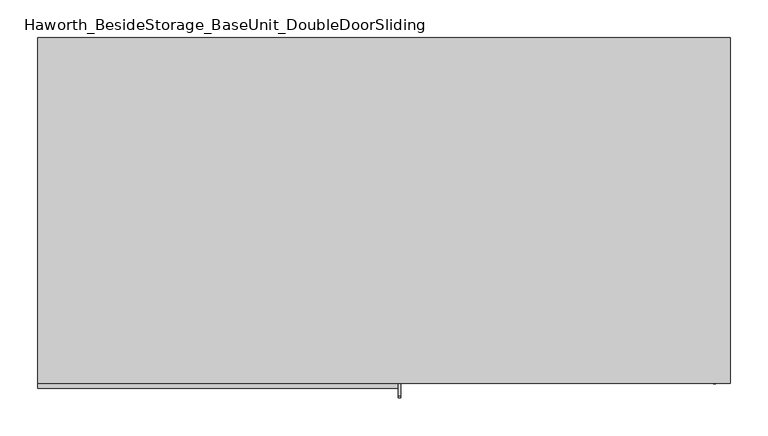
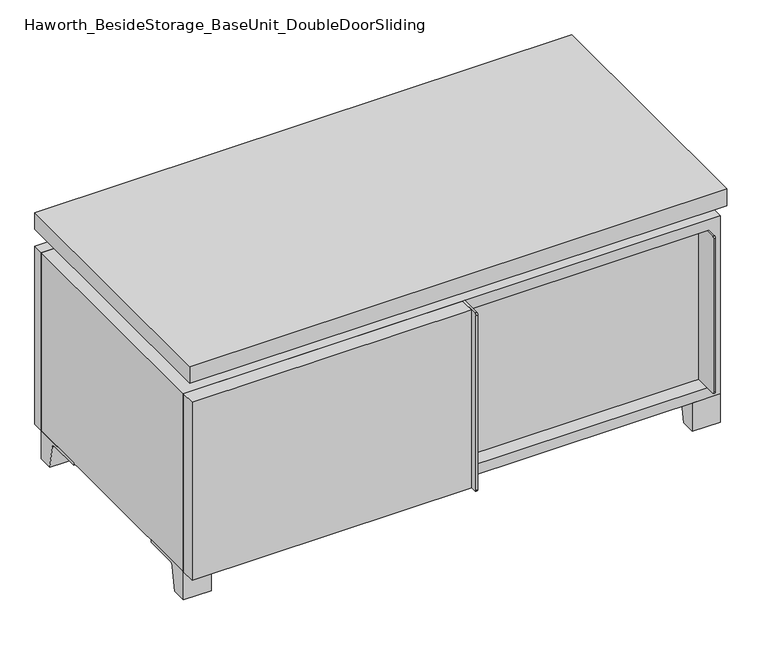
"""IFC4 building model written with IfcOpenShell, lengths in millimetres: furniture geometry, Haworth_BesideStorage_BaseUnit_DoubleDoorSliding."""

import ifcopenshell
import ifcopenshell.guid

model = None  # the IFC model being written
_history = None  # IfcOwnerHistory: only IFC2X3 demands one
_inside = {}  # id of a spatial element -> (the spatial element, [elements in it])
_under = {}  # id of a project, library or spatial element -> (it, [spatial elements below it])
_declared = {}  # id of a project -> (the project, [libraries it declares])
_typed = {}  # id of a type object -> (the type object, [elements of that type])
_made_of = {}  # id of a material, layer set ... -> (it, [elements and type objects made of it])


def new_model(schema):
    """Start an empty IFC model of exactly this schema.

    Asked for "IFC4X3", IfcOpenShell would pick the latest addendum, in which some entities
    have other attributes; the version numbers below select the first issue.
    IFC2X3 requires an IfcOwnerHistory on every rooted entity: one is made here for all.
    """
    global model, _history
    if schema == "IFC4X3":
        model = ifcopenshell.file(schema_version=(4, 3, 0, 0))
    else:
        model = ifcopenshell.file(schema=schema)
    _inside.clear()
    _under.clear()
    _declared.clear()
    _typed.clear()
    _made_of.clear()
    _history = None
    if model.schema == "IFC2X3":
        org = make("IfcOrganization", Name="unknown")
        user = make(
            "IfcPersonAndOrganization",
            ThePerson=make("IfcPerson", FamilyName="unknown"),
            TheOrganization=org,
        )
        app = make(
            "IfcApplication",
            ApplicationDeveloper=org,
            Version="unknown",
            ApplicationFullName="unknown",
            ApplicationIdentifier="unknown",
        )
        _history = make(
            "IfcOwnerHistory",
            OwningUser=user,
            OwningApplication=app,
            ChangeAction="ADDED",
            CreationDate=0,
        )
    return model


def make(cls, **values):
    """One entity of the class cls with the attributes given. An attribute that is None is left unset."""
    return model.create_entity(
        cls, **{name: value for name, value in values.items() if value is not None}
    )


def rooted(cls, **values):
    """An entity with a GlobalId (a new one), such as an element, a storey or a relation."""
    return make(cls, GlobalId=ifcopenshell.guid.new(), OwnerHistory=_history, **values)


def si_unit(unit_type, name, prefix=None):
    """IfcSIUnit, for example si_unit("LENGTHUNIT", "METRE", prefix="MILLI")."""
    return make("IfcSIUnit", UnitType=unit_type, Prefix=prefix, Name=name)


def assignment(units):
    """IfcUnitAssignment: the units of a project."""
    return None if units is None else make("IfcUnitAssignment", Units=units)


def point(xyz):
    """IfcCartesianPoint."""
    return None if xyz is None else make("IfcCartesianPoint", Coordinates=xyz)


def direction(xyz):
    """IfcDirection."""
    return None if xyz is None else make("IfcDirection", DirectionRatios=xyz)


def frame(location, z_axis=None, x_axis=None):
    """IfcAxis2Placement3D, a coordinate frame: its origin and axes. An axis left out is left unset."""
    return make(
        "IfcAxis2Placement3D",
        Location=point(location),
        Axis=direction(z_axis),
        RefDirection=direction(x_axis),
    )


def frame_2d(location, x_axis=None):
    """IfcAxis2Placement2D, a coordinate frame in the plane: its origin and x axis."""
    return make(
        "IfcAxis2Placement2D", Location=point(location), RefDirection=direction(x_axis)
    )


def origin():
    """The frame at (0, 0, 0) with its axes left unset."""
    return frame((0.0, 0.0, 0.0))


def place(relative_to, where):
    """IfcLocalPlacement: puts the frame where relative to a parent placement (None: the world)."""
    return make(
        "IfcLocalPlacement", PlacementRelTo=relative_to, RelativePlacement=where
    )


def context(
    kind, dimensions, precision=None, world=None, true_north=None, identifier=None
):
    """IfcGeometricRepresentationContext, for example the 3D "Model" context."""
    return make(
        "IfcGeometricRepresentationContext",
        ContextIdentifier=identifier,
        ContextType=kind,
        CoordinateSpaceDimension=dimensions,
        Precision=precision,
        WorldCoordinateSystem=world,
        TrueNorth=true_north,
    )


def project(units=None, contexts=None):
    """IfcProject with its units and contexts."""
    return rooted(
        "IfcProject",
        Name="project",
        RepresentationContexts=contexts,
        UnitsInContext=assignment(units),
    )


def spatial(cls, under=None, at=None, **own):
    """A site, building, storey or space (cls), placed at a placement, below another one or the project."""
    s = rooted(cls, ObjectPlacement=at, **own)
    if under is not None:
        _under.setdefault(under.id(), (under, []))[1].append(s)
    return s


def polyline(points):
    """IfcPolyline through the points."""
    return make("IfcPolyline", Points=[point(p) for p in points])


def circle_curve(where, radius):
    """IfcCircle in the frame where."""
    return make("IfcCircle", Position=where, Radius=radius)


def trimmed(basis, trim1, trim2, sense, master):
    """IfcTrimmedCurve: the piece of a basis curve between two trims."""
    return make(
        "IfcTrimmedCurve",
        BasisCurve=basis,
        Trim1=trim1,
        Trim2=trim2,
        SenseAgreement=sense,
        MasterRepresentation=master,
    )


def segment(curve, same_sense, transition):
    """IfcCompositeCurveSegment."""
    return make(
        "IfcCompositeCurveSegment",
        Transition=transition,
        SameSense=same_sense,
        ParentCurve=curve,
    )


def composite_curve(segments, self_intersect=None):
    """IfcCompositeCurve: segments joined end to end."""
    return make("IfcCompositeCurve", Segments=segments, SelfIntersect=self_intersect)


def outline(outer, holes=None, kind="AREA"):
    """IfcArbitraryClosedProfileDef: a profile drawn as a closed curve; with holes, ...WithVoids."""
    if holes is None:
        return make("IfcArbitraryClosedProfileDef", ProfileType=kind, OuterCurve=outer)
    return make(
        "IfcArbitraryProfileDefWithVoids",
        ProfileType=kind,
        OuterCurve=outer,
        InnerCurves=holes,
    )


def extrude(swept, where, along, depth):
    """IfcExtrudedAreaSolid: the profile swept, set in the frame where, extruded along a direction by depth."""
    return make(
        "IfcExtrudedAreaSolid",
        SweptArea=swept,
        Position=where,
        ExtrudedDirection=direction(along),
        Depth=depth,
    )


def faces_of(points, faces, orient=None, outer=None):
    """IfcFace entities. A face is a list of loops; a loop is a list of indices into points, from 0.

    orient and outer hold one flag for each loop. By default every Orientation is true, the
    first loop of a face is its IfcFaceOuterBound and the others are IfcFaceBound.
    """
    made = []
    for i, loops in enumerate(faces):
        bounds = []
        for j, loop in enumerate(loops):
            is_outer = j == 0 if outer is None else outer[i][j]
            bounds.append(
                make(
                    "IfcFaceOuterBound" if is_outer else "IfcFaceBound",
                    Bound=make("IfcPolyLoop", Polygon=[points[k] for k in loop]),
                    Orientation=True if orient is None else orient[i][j],
                )
            )
        made.append(make("IfcFace", Bounds=bounds))
    return made


def faceted_brep(points, faces, orient=None, outer=None, voids=None):
    """IfcFacetedBrep: a solid bounded by flat faces; with voids (closed shells), ...WithVoids."""
    shared = [point(p) for p in points]
    hull = make("IfcClosedShell", CfsFaces=faces_of(shared, faces, orient, outer))
    if voids is None:
        return make("IfcFacetedBrep", Outer=hull)
    return make(
        "IfcFacetedBrepWithVoids",
        Outer=hull,
        Voids=[
            make(cls, CfsFaces=faces_of(shared, fs, o, b)) for cls, fs, o, b in voids
        ],
    )


def shape(context_of_items, identifier, shape_type, items):
    """IfcShapeRepresentation: the items that make up one representation, for example the "Body"."""
    return make(
        "IfcShapeRepresentation",
        ContextOfItems=context_of_items,
        RepresentationIdentifier=identifier,
        RepresentationType=shape_type,
        Items=items,
    )


def source(mapping_origin, context_of_items, identifier, shape_type, items):
    """IfcRepresentationMap: a shape defined once, which mapped items show again and again."""
    return make(
        "IfcRepresentationMap",
        MappingOrigin=mapping_origin,
        MappedRepresentation=shape(context_of_items, identifier, shape_type, items),
    )


def transform(
    local_origin,
    x_axis=None,
    y_axis=None,
    z_axis=None,
    scale=None,
    scale2=None,
    scale3=None,
    uniform=True,
):
    """IfcCartesianTransformationOperator3D, or its non-uniform kind. x_axis, y_axis, z_axis: its Axis1, 2, 3."""
    if uniform:
        return make(
            "IfcCartesianTransformationOperator3D",
            Axis1=direction(x_axis),
            Axis2=direction(y_axis),
            LocalOrigin=point(local_origin),
            Scale=scale,
            Axis3=direction(z_axis),
        )
    return make(
        "IfcCartesianTransformationOperator3DnonUniform",
        Axis1=direction(x_axis),
        Axis2=direction(y_axis),
        LocalOrigin=point(local_origin),
        Scale=scale,
        Axis3=direction(z_axis),
        Scale2=scale2,
        Scale3=scale3,
    )


def mapped(mapping_source, mapping_target):
    """IfcMappedItem: shows the shape of a source again, moved by a transform."""
    return make(
        "IfcMappedItem", MappingSource=mapping_source, MappingTarget=mapping_target
    )


def made_of(thing, what):
    """Note that an element or type object is made of a material, layer set ...; save() writes the relation."""
    if what is not None:
        _made_of.setdefault(what.id(), (what, []))[1].append(thing)
    return thing


def element(
    cls,
    number,
    at=None,
    inside=None,
    cuts=None,
    type_object=None,
    material=None,
    context=None,
    identifier="Body",
    shape_type=None,
    held_by="IfcProductDefinitionShape",
    body=None,
    shapes=None,
    **own,
):
    """One element of the class cls, such as IfcWall. Its Tag is "e" and its number.

    at: its placement. inside: the storey or other place that contains it. cuts: it is an
    opening in that element (IfcRelVoidsElement). A single representation is given by context,
    identifier, shape_type and body (its items); several are given by shapes. held_by: the class
    of the entity that holds the representations. save() writes the other relations.
    """
    e = rooted(cls, Tag="e%d" % number, ObjectPlacement=at, **own)
    if body is not None:
        shapes = [shape(context, identifier, shape_type, body)]
    if shapes is not None:
        e.Representation = make(held_by, Representations=shapes)
    if inside is not None:
        _inside.setdefault(inside.id(), (inside, []))[1].append(e)
    if cuts is not None:
        rooted(
            "IfcRelVoidsElement", RelatingBuildingElement=cuts, RelatedOpeningElement=e
        )
    if type_object is not None:
        _typed.setdefault(type_object.id(), (type_object, []))[1].append(e)
    return made_of(e, material)


def aggregate(whole, parts):
    """IfcRelAggregates: a whole, such as a stair, and the parts it consists of."""
    return rooted("IfcRelAggregates", RelatingObject=whole, RelatedObjects=parts)


def save(model, path):
    """Write the relations noted so far, then the file.

    IfcRelAggregates (storeys below a building ...), IfcRelContainedInSpatialStructure (elements
    in a storey), IfcRelDefinesByType, IfcRelAssociatesMaterial and IfcRelDeclares: one each for
    every whole, place, type object, material and project.
    """
    for whole, parts in _under.values():
        aggregate(whole, parts)
    for where, things in _inside.values():
        rooted(
            "IfcRelContainedInSpatialStructure",
            RelatedElements=things,
            RelatingStructure=where,
        )
    for kind, things in _typed.values():
        rooted("IfcRelDefinesByType", RelatedObjects=things, RelatingType=kind)
    for what, things in _made_of.values():
        rooted("IfcRelAssociatesMaterial", RelatedObjects=things, RelatingMaterial=what)
    for by, libraries in _declared.values():
        rooted("IfcRelDeclares", RelatingContext=by, RelatedDefinitions=libraries)
    model.write(path)


def haworth_besidestorage_baseunit_doubledoorsliding_f1634b0d(model_context):
    return source(origin(), model_context, "Body", "SolidModel", [
        extrude(outline(polyline([(9.5319453, 241.3), (438.1569453, 241.3), (438.1569453, -92.075), (9.5319453, -92.075), (9.5319453, 241.3)])), frame((0.0, 0.0, 201.6125), z_axis=(0.0, 0.0, 1.0), x_axis=(1.0, 0.0, 0.0)), (0.0, 0.0, 1.0), 19.05),
        extrude(outline(polyline([(-9.5041641, 241.3), (-9.5041641, -92.075), (-438.1291641, -92.075), (-438.1291641, 241.3), (-9.5041641, 241.3)])), frame((0.0, 0.0, 201.6125), z_axis=(0.0, 0.0, 1.0), x_axis=(1.0, 0.0, 0.0)), (0.0, 0.0, 1.0), 19.05),
        extrude(outline(composite_curve([segment(polyline([(-95.25, 352.425), (-95.25, 69.85), (-161.925, 69.85)]), True, "CONTINUOUS"), segment(trimmed(circle_curve(frame_2d((-161.925, 73.025)), 3.175), [point((-161.925, 69.85))], [point((-165.1, 73.025))], False, "CARTESIAN"), True, "CONTINUOUS"), segment(polyline([(-165.1, 73.025), (-165.1, 349.25)]), True, "CONTINUOUS"), segment(trimmed(circle_curve(frame_2d((-161.925, 349.25)), 3.175), [point((-165.1, 349.25))], [point((-161.925, 352.425))], False, "CARTESIAN"), True, "CONTINUOUS"), segment(polyline([(-161.925, 352.425), (-95.25, 352.425)]), True, "CONTINUOUS")], self_intersect=False)), frame((434.9819453, 0.0, 0.0), z_axis=(1.0, 0.0, 0.0), x_axis=(0.0, 1.0, 0.0)), (0.0, 0.0, 1.0), 3.175),
        extrude(outline(polyline([(15.8819453, -95.25), (434.9819453, -95.25), (434.9819453, -120.65), (15.8819453, -120.65), (15.8819453, -95.25)])), frame((0.0, 0.0, 69.85), z_axis=(0.0, 0.0, 1.0), x_axis=(1.0, 0.0, 0.0)), (0.0, 0.0, 1.0), 282.575),
        extrude(outline(polyline([(457.2138906, 292.1), (457.2138906, -165.1), (-457.1861094, -165.1), (-457.1861094, 292.1), (457.2138906, 292.1)])), frame((0.0, 0.0, 401.6375), z_axis=(0.0, 0.0, 1.0), x_axis=(1.0, 0.0, 0.0)), (0.0, 0.0, 1.0), 30.1625),
        extrude(outline(composite_curve([segment(polyline([(-146.05, 371.475), (-146.05, 50.8), (-180.975, 50.8)]), True, "CONTINUOUS"), segment(trimmed(circle_curve(frame_2d((-180.975, 53.975)), 3.175), [point((-180.975, 50.8))], [point((-184.15, 53.975))], False, "CARTESIAN"), True, "CONTINUOUS"), segment(polyline([(-184.15, 53.975), (-184.15, 368.3)]), True, "CONTINUOUS"), segment(trimmed(circle_curve(frame_2d((-180.975, 368.3)), 3.175), [point((-184.15, 368.3))], [point((-180.975, 371.475))], False, "CARTESIAN"), True, "CONTINUOUS"), segment(polyline([(-180.975, 371.475), (-146.05, 371.475)]), True, "CONTINUOUS")], self_intersect=False)), frame((19.0638906, 0.0, 0.0), z_axis=(1.0, 0.0, 0.0), x_axis=(0.0, 1.0, 0.0)), (0.0, 0.0, 1.0), 3.175),
        extrude(outline(polyline([(-457.1861094, -146.05), (19.0638906, -146.05), (19.0638906, -171.45), (-457.1861094, -171.45), (-457.1861094, -146.05)])), frame((0.0, 0.0, 50.8), z_axis=(0.0, 0.0, 1.0), x_axis=(1.0, 0.0, 0.0)), (0.0, 0.0, 1.0), 320.675),
        extrude(outline(composite_curve([segment(polyline([(-120.6500136, 0.0), (-146.05, 0.0), (-146.05, 50.8), (-50.8, 50.8), (-50.8, 46.0213321), (-107.6005345, 46.0213321)]), True, "CONTINUOUS"), segment(trimmed(circle_curve(frame_2d((-107.6005345, 39.6713321)), 6.35), [point((-107.6005345, 46.0213321))], [point((-113.8641359, 40.7152656))], True, "CARTESIAN"), True, "CONTINUOUS"), segment(polyline([(-113.8641359, 40.7152656), (-120.6500136, 0.0)]), True, "CONTINUOUS")], self_intersect=False)), frame((409.5888906, 0.0, 0.0), z_axis=(1.0, 0.0, 0.0), x_axis=(0.0, 1.0, 0.0)), (0.0, 0.0, 1.0), 47.625),
        extrude(outline(composite_curve([segment(polyline([(247.6500136, 0.0), (240.8641359, 40.7152656)]), True, "CONTINUOUS"), segment(trimmed(circle_curve(frame_2d((234.6005345, 39.6713321)), 6.35), [point((240.8641359, 40.7152656))], [point((234.6005345, 46.0213321))], True, "CARTESIAN"), True, "CONTINUOUS"), segment(polyline([(234.6005345, 46.0213321), (177.8, 46.0213321), (177.8, 50.8), (273.05, 50.8), (273.05, 0.0), (247.6500136, 0.0)]), True, "CONTINUOUS")], self_intersect=False)), frame((409.5888906, 0.0, 0.0), z_axis=(1.0, 0.0, 0.0), x_axis=(0.0, 1.0, 0.0)), (0.0, 0.0, 1.0), 47.625),
        extrude(outline(composite_curve([segment(polyline([(-120.6500136, 0.0), (-146.05, 0.0), (-146.05, 50.8), (-50.8, 50.8), (-50.8, 46.0213321), (-107.6005345, 46.0213321)]), True, "CONTINUOUS"), segment(trimmed(circle_curve(frame_2d((-107.6005345, 39.6713321)), 6.35), [point((-107.6005345, 46.0213321))], [point((-113.8641359, 40.7152656))], True, "CARTESIAN"), True, "CONTINUOUS"), segment(polyline([(-113.8641359, 40.7152656), (-120.6500136, 0.0)]), True, "CONTINUOUS")], self_intersect=False)), frame((-457.1861094, 0.0, 0.0), z_axis=(1.0, 0.0, 0.0), x_axis=(0.0, 1.0, 0.0)), (0.0, 0.0, 1.0), 47.625),
        extrude(outline(composite_curve([segment(polyline([(247.6500136, 0.0), (240.8641359, 40.7152656)]), True, "CONTINUOUS"), segment(trimmed(circle_curve(frame_2d((234.6005345, 39.6713321)), 6.35), [point((240.8641359, 40.7152656))], [point((234.6005345, 46.0213321))], True, "CARTESIAN"), True, "CONTINUOUS"), segment(polyline([(234.6005345, 46.0213321), (177.8, 46.0213321), (177.8, 50.8), (273.05, 50.8), (273.05, 0.0), (247.6500136, 0.0)]), True, "CONTINUOUS")], self_intersect=False)), frame((-457.1861094, 0.0, 0.0), z_axis=(1.0, 0.0, 0.0), x_axis=(0.0, 1.0, 0.0)), (0.0, 0.0, 1.0), 47.625),
        faceted_brep([(7.9513906, -120.65, 401.6375), (7.9513906, -120.65, 371.475), (7.9513906, 53.975, 371.475), (7.9513906, 53.975, 401.6375), (7.9513906, 247.65, 371.475), (7.9513906, 247.65, 401.6375), (7.9513906, 73.025, 401.6375), (7.9513906, 73.025, 371.475), (-7.9236094, 247.65, 401.6375), (-7.9236094, 247.65, 371.475), (-7.9236094, 73.025, 371.475), (-7.9236094, 73.025, 401.6375), (-7.9236094, -120.65, 371.475), (-7.9236094, -120.65, 401.6375), (-7.9236094, 53.975, 401.6375), (-7.9236094, 53.975, 371.475), (-415.8833281, 73.025, 401.6375), (-415.9041641, 247.65, 401.6375), (-431.7791641, 247.65, 401.6375), (-431.7791641, -120.65, 401.6375), (-415.9041641, -120.65, 401.6375), (-415.9041641, 53.975, 401.6375), (415.9111094, 53.975, 401.6375), (415.9111094, -120.65, 401.6375), (431.7861094, -120.65, 401.6375), (431.7861094, 247.65, 401.6375), (415.9111094, 247.65, 401.6375), (415.9111094, 73.025, 401.6375), (-415.8833281, 53.975, 371.475), (-415.9041641, -120.65, 371.475), (-431.7791641, -120.65, 371.475), (-431.7791641, 247.65, 371.475), (-415.9041641, 247.65, 371.475), (-415.9041641, 73.025, 371.475), (415.9111094, 73.025, 371.475), (415.9111094, 247.65, 371.475), (431.7861094, 247.65, 371.475), (431.7861094, -120.65, 371.475), (415.9111094, -120.65, 371.475), (415.9111094, 53.975, 371.475)], [[[0, 1, 2, 3]], [[4, 5, 6, 7]], [[8, 9, 10, 11]], [[12, 13, 14, 15]], [[5, 8, 11, 16, 17, 18, 19, 20, 21, 14, 13, 0, 3, 22, 23, 24, 25, 26, 27, 6]], [[1, 12, 15, 28, 29, 30, 31, 32, 33, 10, 9, 4, 7, 34, 35, 36, 37, 38, 39, 2]], [[5, 4, 9, 8]], [[1, 0, 13, 12]], [[6, 27, 34, 7]], [[22, 3, 2, 39]], [[20, 29, 28, 21]], [[32, 17, 16, 33]], [[18, 31, 30, 19]], [[29, 20, 19, 30]], [[17, 32, 31, 18]], [[26, 35, 34, 27]], [[38, 23, 22, 39]], [[25, 24, 37, 36]], [[23, 38, 37, 24]], [[35, 26, 25, 36]], [[16, 11, 10, 33]], [[14, 21, 28, 15]]]),
        extrude(outline(polyline([(9.5388906, 241.3), (9.5388906, -95.25), (-9.5111094, -95.25), (-9.5111094, 241.3), (9.5388906, 241.3)])), frame((0.0, 0.0, 69.85), z_axis=(0.0, 0.0, 1.0), x_axis=(1.0, 0.0, 0.0)), (0.0, 0.0, 1.0), 282.575),
        extrude(outline(polyline([(15.8888906, -88.9), (15.8888906, -146.05), (-9.5111094, -146.05), (-9.5111094, -120.65), (3.1888906, -120.65), (3.1888906, -88.9), (15.8888906, -88.9)])), frame((0.0, 0.0, 69.85), z_axis=(0.0, 0.0, 1.0), x_axis=(1.0, 0.0, 0.0)), (0.0, 0.0, 1.0), 282.575),
        extrude(outline(polyline([(457.2138906, 273.05), (-457.1861094, 273.05), (-457.1861094, 292.1), (457.2138906, 292.1), (457.2138906, 273.05)])), frame((0.0, 0.0, 50.8), z_axis=(0.0, 0.0, 1.0), x_axis=(1.0, 0.0, 0.0)), (0.0, 0.0, 1.0), 320.675),
        extrude(outline(polyline([(50.8, -457.1861094), (50.8, 457.2), (371.475, 457.2), (371.475, -457.1861094), (50.8, -457.1861094)]), holes=[polyline([(69.85, -438.1361094), (352.425, -438.1361094), (352.425, 438.1361094), (69.85, 438.1361094), (69.85, -438.1361094)])]), frame((0.0, -146.05, 0.0), z_axis=(0.0, 1.0, 0.0), x_axis=(0.0, 0.0, 1.0)), (0.0, 0.0, 1.0), 419.1),
        extrude(outline(polyline([(-438.1291641, 241.3), (-438.1291641, 247.65), (438.1569453, 247.65), (438.1569453, 241.3), (-438.1291641, 241.3)])), frame((0.0, 0.0, 69.85), z_axis=(0.0, 0.0, 1.0), x_axis=(1.0, 0.0, 0.0)), (0.0, 0.0, 1.0), 282.575),
    ])


if __name__ == "__main__":
    model = new_model("IFC4")
    model_context = context("Model", 3, world=origin())
    ifc_project = project(units=[si_unit("LENGTHUNIT", "METRE", prefix="MILLI")], contexts=[model_context])
    site = spatial("IfcSite", under=ifc_project)
    building = spatial("IfcBuilding", under=site)
    placement = place(None, origin())
    haworth_besidestorage_baseunit_doubledoorsliding_shape = haworth_besidestorage_baseunit_doubledoorsliding_f1634b0d(model_context)
    element("IfcFurniture", 1, ObjectType="Haworth_BesideStorage_BaseUnit_DoubleDoorSliding", at=placement, inside=building, context=model_context, shape_type="MappedRepresentation", body=[
        mapped(haworth_besidestorage_baseunit_doubledoorsliding_shape, transform((0.0, 0.0, 0.0), x_axis=(1.0, 0.0, 0.0), y_axis=(0.0, 1.0, 0.0), z_axis=(0.0, 0.0, 1.0))),
    ])
    save(model, "model.ifc")
